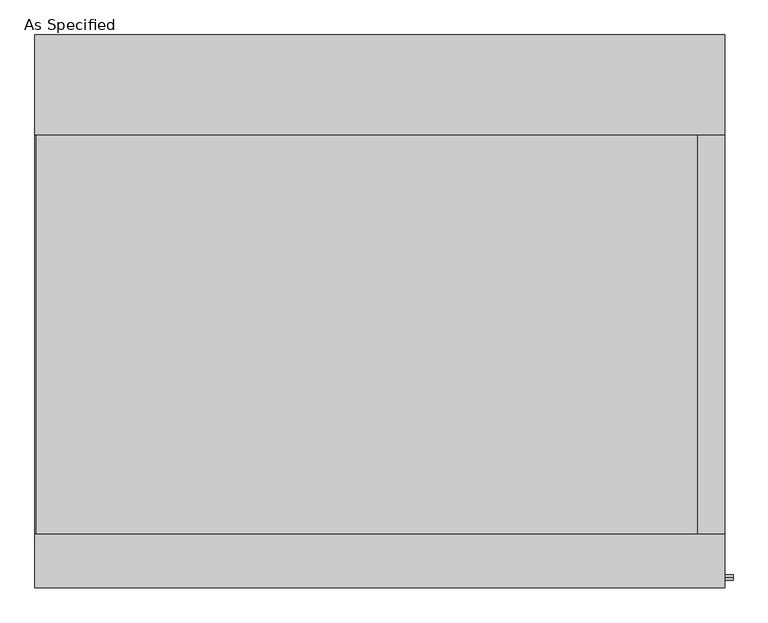
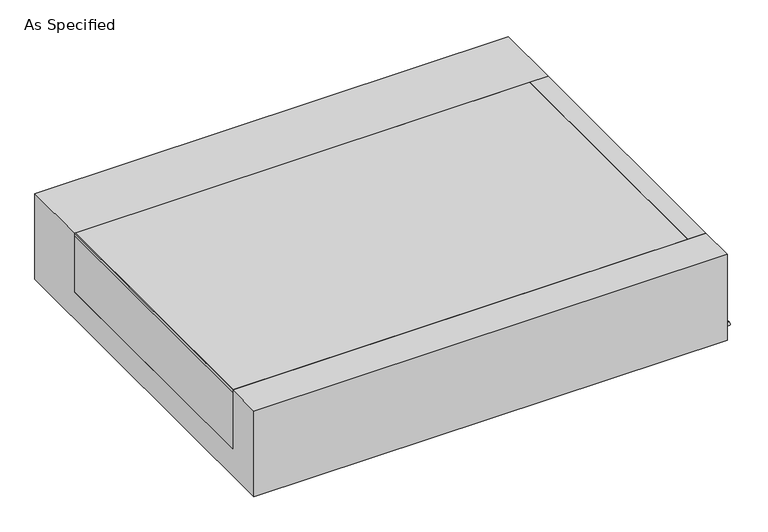
"""IFC4 building model written with IfcOpenShell, lengths in millimetres: proxy geometry, As Specified."""

from ifc_helpers import new_model, si_unit, point, frame, frame_2d, origin, place, context, project, spatial, polyline, circle_curve, trimmed, segment, composite_curve, outline, extrude, source, transform, mapped, element, save


def as_specified_6d78962a(model_context):
    return source(origin(), model_context, "Body", "SweptSolid", [
        extrude(outline(composite_curve([segment(trimmed(circle_curve(frame_2d((-1017.5875, -466.725)), 10.5), [point((-1017.5875, -456.225))], [point((-1017.5875, -477.225))], False, "CARTESIAN"), True, "CONTINUOUS"), segment(trimmed(circle_curve(frame_2d((-1017.5875, -466.725)), 10.5), [point((-1017.5875, -477.225))], [point((-1017.5875, -456.225))], False, "CARTESIAN"), True, "CONTINUOUS")], self_intersect=False)), frame((1319.2125, 0.0, 0.0), z_axis=(1.0, 0.0, 0.0), x_axis=(0.0, 1.0, 0.0)), (0.0, 0.0, 1.0), 31.8403384),
        extrude(outline(polyline([(1216.81875, -850.9), (1216.81875, 673.1), (1319.2125, 673.1), (1319.2125, -850.9), (1216.81875, -850.9)])), frame((0.0, 0.0, -373.0625), z_axis=(0.0, 0.0, 1.0), x_axis=(1.0, 0.0, 0.0)), (0.0, 0.0, 1.0), 347.6625),
        extrude(outline(polyline([(-1315.24375, -850.9), (-1319.2125, -850.9), (-1319.2125, 673.1), (-1315.24375, 673.1), (-1315.24375, -850.9)])), frame((0.0, 0.0, -39.6875), z_axis=(0.0, 0.0, 1.0), x_axis=(1.0, 0.0, 0.0)), (0.0, 0.0, 1.0), 14.2875),
        extrude(outline(polyline([(1216.81875, 673.1), (1216.81875, -850.9), (-1319.2125, -850.9), (-1319.2125, 673.1), (1216.81875, 673.1)])), frame((0.0, 0.0, -373.0625), z_axis=(0.0, 0.0, 1.0), x_axis=(1.0, 0.0, 0.0)), (0.0, 0.0, 1.0), 347.6625),
        extrude(outline(polyline([(1057.275, -25.4), (1057.275, -530.225), (-1057.275, -530.225), (-1057.275, -25.4), (-850.9, -25.4), (-850.9, -373.0625), (673.1, -373.0625), (673.1, -25.4), (1057.275, -25.4)])), frame((-1319.2125, 0.0, 0.0), z_axis=(1.0, 0.0, 0.0), x_axis=(0.0, 1.0, 0.0)), (0.0, 0.0, 1.0), 2638.425),
    ])


if __name__ == "__main__":
    model = new_model("IFC4")
    model_context = context("Model", 3, world=origin())
    ifc_project = project(units=[si_unit("LENGTHUNIT", "METRE", prefix="MILLI")], contexts=[model_context])
    site = spatial("IfcSite", under=ifc_project)
    building = spatial("IfcBuilding", under=site)
    placement = place(None, origin())
    as_specified_shape = as_specified_6d78962a(model_context)
    element("IfcBuildingElementProxy", 1, Name="As Specified", ObjectType="As Specified", at=placement, inside=building, context=model_context, shape_type="MappedRepresentation", body=[
        mapped(as_specified_shape, transform((0.0, 0.0, 0.0), x_axis=(1.0, 0.0, 0.0), y_axis=(0.0, 1.0, 0.0), z_axis=(0.0, 0.0, 1.0))),
    ])
    save(model, "model.ifc")
